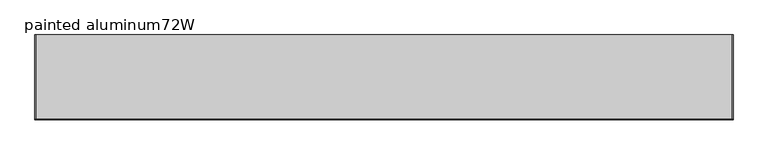
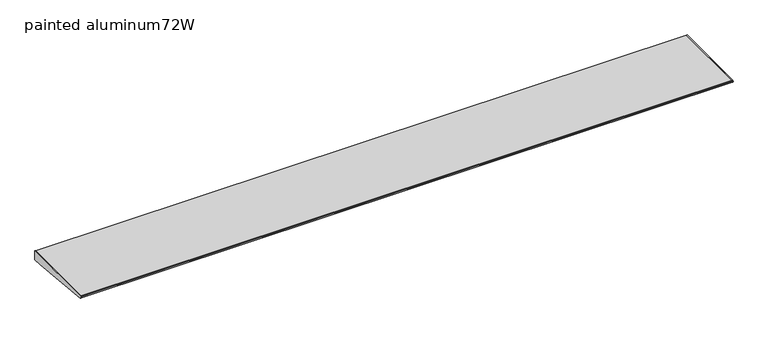
"""IFC4 building model written with IfcOpenShell, lengths in millimetres: furniture geometry, painted aluminum72W."""

from ifc_helpers import new_model, si_unit, frame, origin, place, context, project, spatial, polyline, outline, extrude, source, transform, mapped, element, save


def painted_aluminum72w_ff339092(model_context):
    return source(origin(), model_context, "Body", "SweptSolid", [
        extrude(outline(polyline([(-222.022331, 1047.5024755), (-220.8911683, 1048.9668929), (-218.9431893, 1049.5788), (0.0, 1049.5788), (0.0, 1024.1788), (-25.3684852, 1024.1788), (-219.3540346, 1043.2440236), (-221.1050905, 1043.989168), (-222.1155121, 1045.6017581), (-222.022331, 1047.5024755)])), frame((1824.2279999, 0.0, 0.0), z_axis=(1.0, 0.0, 0.0), x_axis=(0.0, 1.0, 0.0)), (0.0, 0.0, 1.0), 2.032),
        extrude(outline(polyline([(-222.022331, 1047.5024755), (-220.8911683, 1048.9668929), (-218.9431893, 1049.5788), (0.0, 1049.5788), (0.0, 1024.1788), (-25.3684852, 1024.1788), (-219.3540346, 1043.2440236), (-221.1050905, 1043.989168), (-222.1155121, 1045.6017581), (-222.022331, 1047.5024755)])), frame((2.5400001, 0.0, 0.0), z_axis=(1.0, 0.0, 0.0), x_axis=(0.0, 1.0, 0.0)), (0.0, 0.0, 1.0), 2.032),
        extrude(outline(polyline([(0.0, 1049.5788), (0.0, 1024.1788), (-25.3684852, 1024.1788), (-219.3540346, 1043.2440236), (-221.1050905, 1043.989168), (-222.1155121, 1045.6017581), (-222.022331, 1047.5024755), (-220.8911683, 1048.9668929), (-218.9431893, 1049.5788), (0.0, 1049.5788)])), frame((4.5720001, 0.0, 0.0), z_axis=(1.0, 0.0, 0.0), x_axis=(0.0, 1.0, 0.0)), (0.0, 0.0, 1.0), 1819.6559997),
    ])


if __name__ == "__main__":
    model = new_model("IFC4")
    model_context = context("Model", 3, world=origin())
    ifc_project = project(units=[si_unit("LENGTHUNIT", "METRE", prefix="MILLI")], contexts=[model_context])
    site = spatial("IfcSite", under=ifc_project)
    building = spatial("IfcBuilding", under=site)
    placement = place(None, origin())
    painted_aluminum72w_shape = painted_aluminum72w_ff339092(model_context)
    element("IfcFurniture", 1, ObjectType="painted aluminum72W", at=placement, inside=building, context=model_context, shape_type="MappedRepresentation", body=[
        mapped(painted_aluminum72w_shape, transform((0.0, 0.0, 0.0), x_axis=(1.0, 0.0, 0.0), y_axis=(0.0, 1.0, 0.0), z_axis=(0.0, 0.0, 1.0))),
    ])
    save(model, "model.ifc")
